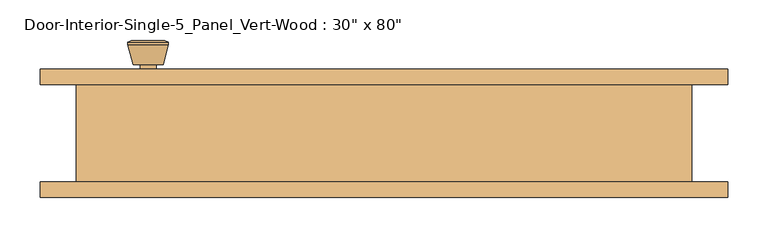
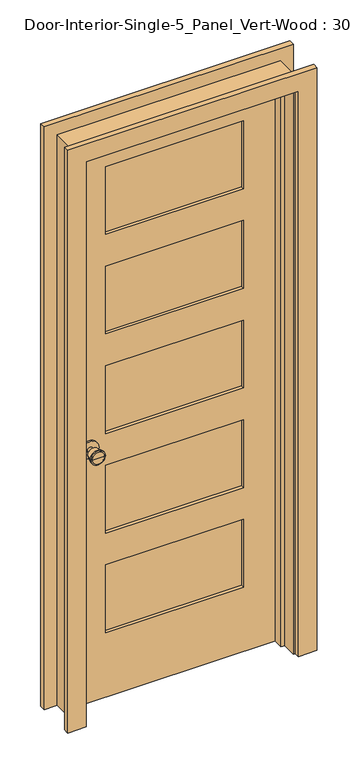
"""IFC4 building model written with IfcOpenShell, lengths in millimetres: door geometry."""

from ifc_helpers import new_model, si_unit, point, frame, frame_2d, origin, place, context, project, spatial, polyline, circle_curve, trimmed, segment, composite_curve, outline, extrude, faceted_brep, source, transform, mapped, element, save
from ifc_brep_helpers import plane_surface, cylinder_surface, revolved_surface, advanced_brep


def door_54f98dc2(model_context):
    return source(origin(), model_context, "Body", "SolidModel", [
        advanced_brep(
        [(-292.1, 16.225, 914.4), (-282.1, 16.225, 914.4), (-302.1, 16.225, 914.4), (-271.6241324, -32.775, 914.4), (-292.1, -32.775, 914.4), (-312.5758676, -32.775, 914.4), (-267.1, -30.9471319, 914.4), (-317.1, -30.9471319, 914.4), (-267.1, -27.4834537, 914.4), (-317.1, -27.4834537, 914.4), (-273.463764, -2.775, 914.4), (-310.736236, -2.775, 914.4), (-282.1, -2.775, 914.4), (-302.1, -2.775, 914.4)],
        [
            (0, 1),
            (1, 2, circle_curve(frame((-292.1, 16.225, 914.4), z_axis=(0.0, 1.0, 0.0), x_axis=(-1.0, 0.0, 0.0)), 10.0)),
            (2, 0),
            (2, 1, circle_curve(frame((-292.1, 16.225, 914.4), z_axis=(0.0, 1.0, 0.0), x_axis=(-1.0, 0.0, 0.0)), 10.0)),
            (3, 4),
            (4, 5),
            (5, 3, circle_curve(frame((-292.1, -32.775, 914.4), z_axis=(0.0, -1.0, 0.0), x_axis=(-1.0, 0.0, 0.0)), 20.4758676)),
            (3, 5, circle_curve(frame((-292.1, -32.775, 914.4), z_axis=(0.0, -1.0, 0.0), x_axis=(-1.0, 0.0, 0.0)), 20.4758676)),
            (6, 3),
            (5, 7),
            (7, 6, circle_curve(frame((-292.1, -30.9471319, 914.4), z_axis=(0.0, -1.0, 0.0), x_axis=(-1.0, 0.0, 0.0)), 25.0)),
            (6, 7, circle_curve(frame((-292.1, -30.9471319, 914.4), z_axis=(0.0, -1.0, 0.0), x_axis=(-1.0, 0.0, 0.0)), 25.0)),
            (8, 6),
            (7, 9),
            (9, 8, circle_curve(frame((-292.1, -27.4834537, 914.4), z_axis=(0.0, -1.0, 0.0), x_axis=(-1.0, 0.0, 0.0)), 25.0)),
            (8, 9, circle_curve(frame((-292.1, -27.4834537, 914.4), z_axis=(0.0, -1.0, 0.0), x_axis=(-1.0, 0.0, 0.0)), 25.0)),
            (10, 8),
            (9, 11),
            (11, 10, circle_curve(frame((-292.1, -2.775, 914.4), z_axis=(0.0, -1.0, 0.0), x_axis=(-1.0, 0.0, 0.0)), 18.636236)),
            (10, 11, circle_curve(frame((-292.1, -2.775, 914.4), z_axis=(0.0, -1.0, 0.0), x_axis=(-1.0, 0.0, 0.0)), 18.636236)),
            (12, 10),
            (11, 13),
            (13, 12, circle_curve(frame((-292.1, -2.775, 914.4), z_axis=(0.0, -1.0, 0.0), x_axis=(-1.0, 0.0, 0.0)), 10.0)),
            (12, 13, circle_curve(frame((-292.1, -2.775, 914.4), z_axis=(0.0, -1.0, 0.0), x_axis=(-1.0, 0.0, 0.0)), 10.0)),
            (1, 12),
            (13, 2),
        ],
        [
            plane_surface(frame((-292.1, 16.225, 914.4), z_axis=(0.0, 1.0, 0.0), x_axis=(-1.0, 0.0, 0.0))),
            plane_surface(frame((-292.1, -32.775, 914.4), z_axis=(0.0, -1.0, 0.0), x_axis=(-1.0, 0.0, 0.0))),
            revolved_surface(polyline([(-312.5758676, -32.775, 914.4), (-317.1, -30.9471319, 914.4)]), (-292.1, 16.225, 914.4), (0.0, 1.0, 0.0)),
            cylinder_surface(frame((-292.1, 16.225, 914.4), z_axis=(0.0, 1.0, 0.0), x_axis=(-1.0, 0.0, 0.0)), 25.0),
            revolved_surface(polyline([(-317.1, -27.4834537, 914.4), (-310.736236, -2.775, 914.4)]), (-292.1, 16.225, 914.4), (0.0, 1.0, 0.0)),
            plane_surface(frame((-292.1, -2.775, 914.4), z_axis=(0.0, 1.0, 0.0), x_axis=(-1.0, 0.0, 0.0))),
            cylinder_surface(frame((-292.1, 16.225, 914.4), z_axis=(0.0, 1.0, 0.0), x_axis=(-1.0, 0.0, 0.0)), 10.0),
        ],
        [
            (0, [[1, 2, 3]]),
            (0, [[-3, 4, -1]]),
            (1, [[5, 6, 7]]),
            (1, [[-6, -5, 8]]),
            (2, [[9, -7, 10, 11]]),
            (2, [[-10, -8, -9, 12]]),
            (3, [[13, -11, 14, 15]]),
            (3, [[-14, -12, -13, 16]]),
            (4, [[17, -15, 18, 19]]),
            (4, [[-18, -16, -17, 20]]),
            (5, [[21, -19, 22, 23]]),
            (5, [[-22, -20, -21, 24]]),
            (6, [[25, -23, 26, -2]]),
            (6, [[-26, -24, -25, -4]]),
        ],
    ),
        extrude(outline(composite_curve([segment(trimmed(circle_curve(frame_2d((914.4, -292.1)), 30.0), [point((914.4, -322.1))], [point((914.4, -262.1))], False, "CARTESIAN"), True, "CONTINUOUS"), segment(trimmed(circle_curve(frame_2d((914.4, -292.1)), 30.0), [point((914.4, -262.1))], [point((914.4, -322.1))], False, "CARTESIAN"), True, "CONTINUOUS")], self_intersect=False)), frame((0.0, 16.225, 0.0), z_axis=(0.0, 1.0, 0.0), x_axis=(0.0, 0.0, 1.0)), (0.0, 0.0, 1.0), 6.0),
        advanced_brep(
        [(-292.1, 63.15, 914.4), (-302.1, 63.15, 914.4), (-282.1, 63.15, 914.4), (-271.6241324, 112.15, 914.4), (-312.5758676, 112.15, 914.4), (-292.1, 112.15, 914.4), (-267.1, 110.3221319, 914.4), (-317.1, 110.3221319, 914.4), (-267.1, 106.8584537, 914.4), (-317.1, 106.8584537, 914.4), (-273.463764, 82.15, 914.4), (-310.736236, 82.15, 914.4), (-282.1, 82.15, 914.4), (-302.1, 82.15, 914.4)],
        [
            (0, 1),
            (1, 2, circle_curve(frame((-292.1, 63.15, 914.4), z_axis=(0.0, -1.0, 0.0), x_axis=(-1.0, 0.0, 0.0)), 10.0)),
            (2, 0),
            (2, 1, circle_curve(frame((-292.1, 63.15, 914.4), z_axis=(0.0, -1.0, 0.0), x_axis=(-1.0, 0.0, 0.0)), 10.0)),
            (3, 4, circle_curve(frame((-292.1, 112.15, 914.4), z_axis=(0.0, 1.0, 0.0), x_axis=(-1.0, 0.0, 0.0)), 20.4758676)),
            (4, 5),
            (5, 3),
            (4, 3, circle_curve(frame((-292.1, 112.15, 914.4), z_axis=(0.0, 1.0, 0.0), x_axis=(-1.0, 0.0, 0.0)), 20.4758676)),
            (6, 7, circle_curve(frame((-292.1, 110.3221319, 914.4), z_axis=(0.0, 1.0, 0.0), x_axis=(-1.0, 0.0, 0.0)), 25.0)),
            (7, 4),
            (3, 6),
            (7, 6, circle_curve(frame((-292.1, 110.3221319, 914.4), z_axis=(0.0, 1.0, 0.0), x_axis=(-1.0, 0.0, 0.0)), 25.0)),
            (8, 9, circle_curve(frame((-292.1, 106.8584537, 914.4), z_axis=(0.0, 1.0, 0.0), x_axis=(-1.0, 0.0, 0.0)), 25.0)),
            (9, 7),
            (6, 8),
            (9, 8, circle_curve(frame((-292.1, 106.8584537, 914.4), z_axis=(0.0, 1.0, 0.0), x_axis=(-1.0, 0.0, 0.0)), 25.0)),
            (10, 11, circle_curve(frame((-292.1, 82.15, 914.4), z_axis=(0.0, 1.0, 0.0), x_axis=(-1.0, 0.0, 0.0)), 18.636236)),
            (11, 9),
            (8, 10),
            (11, 10, circle_curve(frame((-292.1, 82.15, 914.4), z_axis=(0.0, 1.0, 0.0), x_axis=(-1.0, 0.0, 0.0)), 18.636236)),
            (12, 13, circle_curve(frame((-292.1, 82.15, 914.4), z_axis=(0.0, 1.0, 0.0), x_axis=(-1.0, 0.0, 0.0)), 10.0)),
            (13, 11),
            (10, 12),
            (13, 12, circle_curve(frame((-292.1, 82.15, 914.4), z_axis=(0.0, 1.0, 0.0), x_axis=(-1.0, 0.0, 0.0)), 10.0)),
            (1, 13),
            (12, 2),
        ],
        [
            plane_surface(frame((-292.1, 63.15, 914.4), z_axis=(0.0, -1.0, 0.0), x_axis=(-1.0, 0.0, 0.0))),
            plane_surface(frame((-292.1, 112.15, 914.4), z_axis=(0.0, 1.0, 0.0), x_axis=(-1.0, 0.0, 0.0))),
            revolved_surface(polyline([(-312.5758676, 112.15, 914.4), (-317.1, 110.3221319, 914.4)]), (-292.1, 63.15, 914.4), (0.0, -1.0, 0.0)),
            cylinder_surface(frame((-292.1, 63.15, 914.4), z_axis=(0.0, -1.0, 0.0), x_axis=(-1.0, 0.0, 0.0)), 25.0),
            revolved_surface(polyline([(-317.1, 106.8584537, 914.4), (-310.736236, 82.15, 914.4)]), (-292.1, 63.15, 914.4), (0.0, -1.0, 0.0)),
            plane_surface(frame((-292.1, 82.15, 914.4), z_axis=(0.0, -1.0, 0.0), x_axis=(-1.0, 0.0, 0.0))),
            cylinder_surface(frame((-292.1, 63.15, 914.4), z_axis=(0.0, -1.0, 0.0), x_axis=(-1.0, 0.0, 0.0)), 10.0),
        ],
        [
            (0, [[1, 2, 3]]),
            (0, [[-3, 4, -1]]),
            (1, [[5, 6, 7]]),
            (1, [[8, -7, -6]]),
            (2, [[9, 10, -5, 11]]),
            (2, [[12, -11, -8, -10]]),
            (3, [[13, 14, -9, 15]]),
            (3, [[16, -15, -12, -14]]),
            (4, [[17, 18, -13, 19]]),
            (4, [[20, -19, -16, -18]]),
            (5, [[21, 22, -17, 23]]),
            (5, [[24, -23, -20, -22]]),
            (6, [[-2, 25, -21, 26]]),
            (6, [[-4, -26, -24, -25]]),
        ],
    ),
        extrude(outline(composite_curve([segment(trimmed(circle_curve(frame_2d((914.4, -292.1)), 30.0), [point((914.4, -322.1))], [point((914.4, -262.1))], False, "CARTESIAN"), True, "CONTINUOUS"), segment(trimmed(circle_curve(frame_2d((914.4, -292.1)), 30.0), [point((914.4, -262.1))], [point((914.4, -322.1))], False, "CARTESIAN"), True, "CONTINUOUS")], self_intersect=False)), frame((0.0, 57.15, 0.0), z_axis=(0.0, 1.0, 0.0), x_axis=(0.0, 0.0, 1.0)), (0.0, 0.0, 1.0), 6.0),
        extrude(outline(polyline([(234.95, 33.8666667), (-234.95, 33.8666667), (-234.95, 45.5083333), (234.95, 45.5083333), (234.95, 33.8666667)])), frame((0.0, 0.0, 1668.145), z_axis=(0.0, 0.0, 1.0), x_axis=(1.0, 0.0, 0.0)), (0.0, 0.0, 1.0), 244.7925),
        extrude(outline(polyline([(234.95, 33.8666667), (-234.95, 33.8666667), (-234.95, 45.5083333), (234.95, 45.5083333), (234.95, 33.8666667)])), frame((0.0, 0.0, 1309.0525), z_axis=(0.0, 0.0, 1.0), x_axis=(1.0, 0.0, 0.0)), (0.0, 0.0, 1.0), 244.7925),
        extrude(outline(polyline([(234.95, 33.8666667), (-234.95, 33.8666667), (-234.95, 45.5083333), (234.95, 45.5083333), (234.95, 33.8666667)])), frame((0.0, 0.0, 590.8675), z_axis=(0.0, 0.0, 1.0), x_axis=(1.0, 0.0, 0.0)), (0.0, 0.0, 1.0), 244.7925),
        extrude(outline(polyline([(234.95, 33.8666667), (-234.95, 33.8666667), (-234.95, 45.5083333), (234.95, 45.5083333), (234.95, 33.8666667)])), frame((0.0, 0.0, 231.775), z_axis=(0.0, 0.0, 1.0), x_axis=(1.0, 0.0, 0.0)), (0.0, 0.0, 1.0), 244.7925),
        extrude(outline(polyline([(234.95, 33.8666667), (-234.95, 33.8666667), (-234.95, 45.5083333), (234.95, 45.5083333), (234.95, 33.8666667)])), frame((0.0, 0.0, 949.96), z_axis=(0.0, 0.0, 1.0), x_axis=(1.0, 0.0, 0.0)), (0.0, 0.0, 1.0), 244.7925),
        extrude(outline(polyline([(2032.0, -355.6), (0.0, -355.6), (0.0, 355.6), (2032.0, 355.6), (2032.0, -355.6)]), holes=[polyline([(1912.9375, -234.95), (1912.9375, 234.95), (1668.145, 234.95), (1668.145, -234.95), (1912.9375, -234.95)]), polyline([(476.5675, -234.95), (476.5675, 234.95), (231.775, 234.95), (231.775, -234.95), (476.5675, -234.95)]), polyline([(1194.7525, -234.95), (1194.7525, 234.95), (949.96, 234.95), (949.96, -234.95), (1194.7525, -234.95)]), polyline([(1553.845, -234.95), (1553.845, 234.95), (1309.0525, 234.95), (1309.0525, -234.95), (1553.845, -234.95)]), polyline([(835.66, -234.95), (835.66, 234.95), (590.8675, 234.95), (590.8675, -234.95), (835.66, -234.95)])]), frame((0.0, 22.225, 0.0), z_axis=(0.0, 1.0, 0.0), x_axis=(0.0, 0.0, 1.0)), (0.0, 0.0, 1.0), 34.925),
        faceted_brep([(381.0, 57.15, 0.0), (381.0, -63.5, 0.0), (355.6, -63.5, 0.0), (355.6, -12.7, 0.0), (342.9, -12.7, 0.0), (342.9, 22.225, 0.0), (355.6, 22.225, 0.0), (355.6, 57.15, 0.0), (381.0, 57.15, 2057.4), (381.0, -63.5, 2057.4), (-381.0, -63.5, 2057.4), (-381.0, -63.5, 0.0), (-355.6, -63.5, 0.0), (-355.6, -63.5, 2032.0), (355.6, -63.5, 2032.0), (355.6, -12.7, 2032.0), (-355.6, -12.7, 2032.0), (-355.6, -12.7, 0.0), (-342.9, -12.7, 0.0), (-342.9, -12.7, 2019.3), (342.9, -12.7, 2019.3), (342.9, 22.225, 2019.3), (-342.9, 22.225, 2019.3), (-342.9, 22.225, 0.0), (-355.6, 22.225, 0.0), (-355.6, 22.225, 2032.0), (355.6, 22.225, 2032.0), (355.6, 57.15, 2032.0), (-355.6, 57.15, 2032.0), (-355.6, 57.15, 0.0), (-381.0, 57.15, 0.0), (-381.0, 57.15, 2057.4)], [[[0, 1, 2, 3, 4, 5, 6, 7]], [[1, 0, 8, 9]], [[2, 1, 9, 10, 11, 12, 13, 14]], [[3, 2, 14, 15]], [[4, 3, 15, 16, 17, 18, 19, 20]], [[5, 4, 20, 21]], [[6, 5, 21, 22, 23, 24, 25, 26]], [[7, 6, 26, 27]], [[0, 7, 27, 28, 29, 30, 31, 8]], [[9, 8, 31, 10]], [[15, 14, 13, 16]], [[21, 20, 19, 22]], [[27, 26, 25, 28]], [[30, 29, 24, 23, 18, 17, 12, 11]], [[10, 31, 30, 11]], [[16, 13, 12, 17]], [[22, 19, 18, 23]], [[28, 25, 24, 29]]]),
        extrude(outline(polyline([(0.0, 361.95), (0.0, 425.45), (2101.85, 425.45), (2101.85, -425.45), (0.0, -425.45), (0.0, -361.95), (2038.35, -361.95), (2038.35, 361.95), (0.0, 361.95)])), frame((0.0, -82.55, 0.0), z_axis=(0.0, 1.0, 0.0), x_axis=(0.0, 0.0, 1.0)), (0.0, 0.0, 1.0), 19.05),
        extrude(outline(polyline([(0.0, 361.95), (0.0, 425.45), (2101.85, 425.45), (2101.85, -425.45), (0.0, -425.45), (0.0, -361.95), (2038.35, -361.95), (2038.35, 361.95), (0.0, 361.95)])), frame((0.0, 57.15, 0.0), z_axis=(0.0, 1.0, 0.0), x_axis=(0.0, 0.0, 1.0)), (0.0, 0.0, 1.0), 19.05),
    ])


if __name__ == "__main__":
    model = new_model("IFC4")
    model_context = context("Model", 3, world=origin())
    ifc_project = project(units=[si_unit("LENGTHUNIT", "METRE", prefix="MILLI")], contexts=[model_context])
    site = spatial("IfcSite", under=ifc_project)
    building = spatial("IfcBuilding", under=site)
    placement = place(None, origin())
    door_shape = door_54f98dc2(model_context)
    element("IfcDoor", 1, ObjectType="Door-Interior-Single-5_Panel_Vert-Wood : 30\" x 80\"", at=placement, inside=building, context=model_context, shape_type="MappedRepresentation", body=[
        mapped(door_shape, transform((0.0, 0.0, 0.0), x_axis=(1.0, 0.0, 0.0), y_axis=(0.0, 1.0, 0.0), z_axis=(0.0, 0.0, 1.0))),
    ])
    save(model, "model.ifc")
